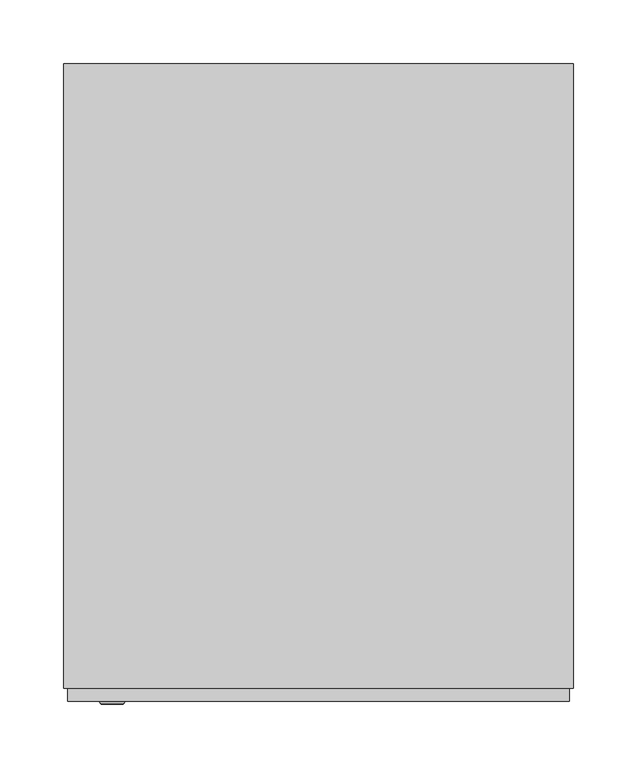
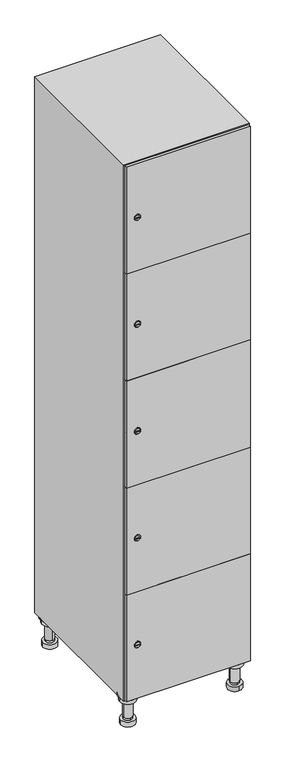
"""IFC4 building model written with IfcOpenShell, lengths in millimetres: furniture geometry."""

from ifc_helpers import new_model, si_unit, point, frame, frame_2d, origin, place, context, project, spatial, polyline, circle_curve, trimmed, segment, composite_curve, outline, extrude, faceted_brep, source, transform, mapped, element, save
from ifc_brep_helpers import plane_surface, cylinder_surface, revolved_surface, advanced_brep


def furniture_3939d0e6(model_context):
    return source(origin(), model_context, "Body", "SolidModel", [
        advanced_brep(
        [(170.0, -201.0, 22.0), (170.0, -201.5, 16.0), (170.0, -228.5, 16.0), (170.0, -229.0, 22.0), (156.0, -215.0, 22.0), (184.0, -215.0, 22.0), (170.0, -192.5, 16.0), (170.0, -237.5, 16.0), (170.0, -192.5, 0.0), (170.0, -237.5, 0.0), (184.0, -215.0, 78.0), (156.0, -215.0, 78.0), (195.0, -215.0, 78.0), (145.0, -215.0, 78.0), (200.0, -215.0, 94.0), (140.0, -215.0, 94.0), (145.0, -215.0, 94.0), (195.0, -215.0, 94.0), (200.0, -215.0, 100.0), (140.0, -215.0, 100.0)],
        [
            (0, 1),
            (1, 2, circle_curve(frame((170.0, -215.0, 16.0), z_axis=(0.0, 0.0, 1.0), x_axis=(0.0, -1.0, 0.0)), 13.5)),
            (2, 3),
            (3, 4, circle_curve(frame((170.0, -215.0, 22.0), z_axis=(0.0, 0.0, -1.0), x_axis=(0.0, -1.0, 0.0)), 14.0)),
            (4, 0, circle_curve(frame((170.0, -215.0, 22.0), z_axis=(0.0, 0.0, -1.0), x_axis=(0.0, -1.0, 0.0)), 14.0)),
            (0, 5, circle_curve(frame((170.0, -215.0, 22.0), z_axis=(0.0, 0.0, -1.0), x_axis=(0.0, 1.0, 0.0)), 14.0)),
            (5, 3, circle_curve(frame((170.0, -215.0, 22.0), z_axis=(0.0, 0.0, -1.0), x_axis=(0.0, 1.0, 0.0)), 14.0)),
            (2, 1, circle_curve(frame((170.0, -215.0, 16.0), z_axis=(0.0, 0.0, 1.0), x_axis=(0.0, 1.0, 0.0)), 13.5)),
            (6, 7, circle_curve(frame((170.0, -215.0, 16.0), z_axis=(0.0, 0.0, 1.0), x_axis=(0.0, -1.0, 0.0)), 22.5)),
            (7, 6, circle_curve(frame((170.0, -215.0, 16.0), z_axis=(0.0, 0.0, 1.0), x_axis=(0.0, -1.0, 0.0)), 22.5)),
            (8, 9, circle_curve(frame((170.0, -215.0, 0.0), z_axis=(0.0, 0.0, -1.0), x_axis=(0.0, -1.0, 0.0)), 22.5)),
            (9, 8, circle_curve(frame((170.0, -215.0, 0.0), z_axis=(0.0, 0.0, -1.0), x_axis=(0.0, -1.0, 0.0)), 22.5)),
            (6, 8),
            (9, 7),
            (5, 10),
            (10, 11, circle_curve(frame((170.0, -215.0, 78.0), z_axis=(0.0, 0.0, -1.0), x_axis=(-1.0, 0.0, 0.0)), 14.0)),
            (11, 4),
            (11, 10, circle_curve(frame((170.0, -215.0, 78.0), z_axis=(0.0, 0.0, -1.0), x_axis=(-1.0, 0.0, 0.0)), 14.0)),
            (12, 13, circle_curve(frame((170.0, -215.0, 78.0), z_axis=(0.0, 0.0, -1.0), x_axis=(-1.0, 0.0, 0.0)), 25.0)),
            (13, 12, circle_curve(frame((170.0, -215.0, 78.0), z_axis=(0.0, 0.0, -1.0), x_axis=(-1.0, 0.0, 0.0)), 25.0)),
            (14, 15, circle_curve(frame((170.0, -215.0, 94.0), z_axis=(0.0, 0.0, -1.0), x_axis=(-1.0, 0.0, 0.0)), 30.0)),
            (15, 14, circle_curve(frame((170.0, -215.0, 94.0), z_axis=(0.0, 0.0, -1.0), x_axis=(-1.0, 0.0, 0.0)), 30.0)),
            (16, 17, circle_curve(frame((170.0, -215.0, 94.0), z_axis=(0.0, 0.0, 1.0), x_axis=(-1.0, 0.0, 0.0)), 25.0)),
            (17, 16, circle_curve(frame((170.0, -215.0, 94.0), z_axis=(0.0, 0.0, 1.0), x_axis=(-1.0, 0.0, 0.0)), 25.0)),
            (18, 19, circle_curve(frame((170.0, -215.0, 100.0), z_axis=(0.0, 0.0, 1.0), x_axis=(-1.0, 0.0, 0.0)), 30.0)),
            (19, 18, circle_curve(frame((170.0, -215.0, 100.0), z_axis=(0.0, 0.0, 1.0), x_axis=(-1.0, 0.0, 0.0)), 30.0)),
            (14, 18),
            (19, 15),
            (12, 17),
            (16, 13),
        ],
        [
            revolved_surface(polyline([(170.0, -201.5, 16.0), (170.0, -201.0, 22.0)]), (170.0, -215.0, -146.0), (0.0, 0.0, 1.0)),
            plane_surface(frame((170.0, 0.0, 16.0), z_axis=(0.0, 0.0, 1.0), x_axis=(0.0, -1.0, 0.0))),
            plane_surface(frame((170.0, 0.0, 0.0), z_axis=(0.0, 0.0, -1.0), x_axis=(0.0, -1.0, 0.0))),
            cylinder_surface(frame((170.0, -215.0, 16.0), z_axis=(0.0, 0.0, 1.0), x_axis=(0.0, -1.0, 0.0)), 22.5),
            cylinder_surface(frame((170.0, -215.0, 22.0), z_axis=(0.0, 0.0, -1.0), x_axis=(-1.0, 0.0, 0.0)), 14.0),
            plane_surface(frame((170.0, 0.0, 78.0), z_axis=(0.0, 0.0, -1.0), x_axis=(0.0, -1.0, 0.0))),
            plane_surface(frame((170.0, 0.0, 94.0), z_axis=(0.0, 0.0, -1.0), x_axis=(0.0, -1.0, 0.0))),
            plane_surface(frame((170.0, 0.0, 100.0), z_axis=(0.0, 0.0, 1.0), x_axis=(0.0, -1.0, 0.0))),
            cylinder_surface(frame((170.0, -215.0, 94.0), z_axis=(0.0, 0.0, -1.0), x_axis=(-1.0, 0.0, 0.0)), 30.0),
            cylinder_surface(frame((170.0, -215.0, 78.0), z_axis=(0.0, 0.0, -1.0), x_axis=(-1.0, 0.0, 0.0)), 25.0),
        ],
        [
            (0, [[1, 2, 3, 4, 5]]),
            (0, [[-1, 6, 7, -3, 8]]),
            (1, [[9, 10], [-2, -8]]),
            (2, [[11, 12]]),
            (3, [[-9, 13, -12, 14]]),
            (3, [[-10, -14, -11, -13]]),
            (4, [[15, 16, 17, -4, -7]]),
            (4, [[-15, -6, -5, -17, 18]]),
            (5, [[19, 20], [-16, -18]]),
            (6, [[21, 22], [23, 24]]),
            (7, [[25, 26]]),
            (8, [[-21, 27, -26, 28]]),
            (8, [[-22, -28, -25, -27]]),
            (9, [[-19, 29, -23, 30]]),
            (9, [[-20, -30, -24, -29]]),
        ],
    ),
        advanced_brep(
        [(-170.0, -201.0, 22.0), (-170.0, -201.5, 16.0), (-170.0, -228.5, 16.0), (-170.0, -229.0, 22.0), (-184.0, -215.0, 22.0), (-156.0, -215.0, 22.0), (-147.5, -215.0, 0.0), (-192.5, -215.0, 0.0), (-147.5, -215.0, 16.0), (-192.5, -215.0, 16.0), (-156.0, -215.0, 78.0), (-184.0, -215.0, 78.0), (-145.0, -215.0, 78.0), (-195.0, -215.0, 78.0), (-140.0, -215.0, 94.0), (-200.0, -215.0, 94.0), (-195.0, -215.0, 94.0), (-145.0, -215.0, 94.0), (-140.0, -215.0, 100.0), (-200.0, -215.0, 100.0)],
        [
            (0, 1),
            (1, 2, circle_curve(frame((-170.0, -215.0, 16.0), z_axis=(0.0, 0.0, 1.0), x_axis=(0.0, -1.0, 0.0)), 13.5)),
            (2, 3),
            (3, 4, circle_curve(frame((-170.0, -215.0, 22.0), z_axis=(0.0, 0.0, -1.0), x_axis=(0.0, -1.0, 0.0)), 14.0)),
            (4, 0, circle_curve(frame((-170.0, -215.0, 22.0), z_axis=(0.0, 0.0, -1.0), x_axis=(0.0, -1.0, 0.0)), 14.0)),
            (0, 5, circle_curve(frame((-170.0, -215.0, 22.0), z_axis=(0.0, 0.0, -1.0), x_axis=(0.0, 1.0, 0.0)), 14.0)),
            (5, 3, circle_curve(frame((-170.0, -215.0, 22.0), z_axis=(0.0, 0.0, -1.0), x_axis=(0.0, 1.0, 0.0)), 14.0)),
            (2, 1, circle_curve(frame((-170.0, -215.0, 16.0), z_axis=(0.0, 0.0, 1.0), x_axis=(0.0, 1.0, 0.0)), 13.5)),
            (6, 7, circle_curve(frame((-170.0, -215.0, 0.0), z_axis=(0.0, 0.0, -1.0), x_axis=(-1.0, 0.0, 0.0)), 22.5)),
            (7, 6, circle_curve(frame((-170.0, -215.0, 0.0), z_axis=(0.0, 0.0, -1.0), x_axis=(-1.0, 0.0, 0.0)), 22.5)),
            (8, 9, circle_curve(frame((-170.0, -215.0, 16.0), z_axis=(0.0, 0.0, 1.0), x_axis=(-1.0, 0.0, 0.0)), 22.5)),
            (9, 8, circle_curve(frame((-170.0, -215.0, 16.0), z_axis=(0.0, 0.0, 1.0), x_axis=(-1.0, 0.0, 0.0)), 22.5)),
            (6, 8),
            (9, 7),
            (5, 10),
            (10, 11, circle_curve(frame((-170.0, -215.0, 78.0), z_axis=(0.0, 0.0, -1.0), x_axis=(-1.0, 0.0, 0.0)), 14.0)),
            (11, 4),
            (11, 10, circle_curve(frame((-170.0, -215.0, 78.0), z_axis=(0.0, 0.0, -1.0), x_axis=(-1.0, 0.0, 0.0)), 14.0)),
            (12, 13, circle_curve(frame((-170.0, -215.0, 78.0), z_axis=(0.0, 0.0, -1.0), x_axis=(-1.0, 0.0, 0.0)), 25.0)),
            (13, 12, circle_curve(frame((-170.0, -215.0, 78.0), z_axis=(0.0, 0.0, -1.0), x_axis=(-1.0, 0.0, 0.0)), 25.0)),
            (14, 15, circle_curve(frame((-170.0, -215.0, 94.0), z_axis=(0.0, 0.0, -1.0), x_axis=(-1.0, 0.0, 0.0)), 30.0)),
            (15, 14, circle_curve(frame((-170.0, -215.0, 94.0), z_axis=(0.0, 0.0, -1.0), x_axis=(-1.0, 0.0, 0.0)), 30.0)),
            (16, 17, circle_curve(frame((-170.0, -215.0, 94.0), z_axis=(0.0, 0.0, 1.0), x_axis=(-1.0, 0.0, 0.0)), 25.0)),
            (17, 16, circle_curve(frame((-170.0, -215.0, 94.0), z_axis=(0.0, 0.0, 1.0), x_axis=(-1.0, 0.0, 0.0)), 25.0)),
            (18, 19, circle_curve(frame((-170.0, -215.0, 100.0), z_axis=(0.0, 0.0, 1.0), x_axis=(-1.0, 0.0, 0.0)), 30.0)),
            (19, 18, circle_curve(frame((-170.0, -215.0, 100.0), z_axis=(0.0, 0.0, 1.0), x_axis=(-1.0, 0.0, 0.0)), 30.0)),
            (14, 18),
            (19, 15),
            (12, 17),
            (16, 13),
        ],
        [
            revolved_surface(polyline([(-170.0, -201.5, 16.0), (-170.0, -201.0, 22.0)]), (-170.0, -215.0, -146.0), (0.0, 0.0, 1.0)),
            plane_surface(frame((-170.0, 0.0, 0.0), z_axis=(0.0, 0.0, -1.0), x_axis=(0.0, -1.0, 0.0))),
            plane_surface(frame((-170.0, 0.0, 16.0), z_axis=(0.0, 0.0, 1.0), x_axis=(0.0, -1.0, 0.0))),
            cylinder_surface(frame((-170.0, -215.0, 0.0), z_axis=(0.0, 0.0, -1.0), x_axis=(-1.0, 0.0, 0.0)), 22.5),
            cylinder_surface(frame((-170.0, -215.0, 22.0), z_axis=(0.0, 0.0, -1.0), x_axis=(-1.0, 0.0, 0.0)), 14.0),
            plane_surface(frame((-170.0, 0.0, 78.0), z_axis=(0.0, 0.0, -1.0), x_axis=(0.0, -1.0, 0.0))),
            plane_surface(frame((-170.0, 0.0, 94.0), z_axis=(0.0, 0.0, -1.0), x_axis=(0.0, -1.0, 0.0))),
            plane_surface(frame((-170.0, 0.0, 100.0), z_axis=(0.0, 0.0, 1.0), x_axis=(0.0, -1.0, 0.0))),
            cylinder_surface(frame((-170.0, -215.0, 94.0), z_axis=(0.0, 0.0, -1.0), x_axis=(-1.0, 0.0, 0.0)), 30.0),
            cylinder_surface(frame((-170.0, -215.0, 78.0), z_axis=(0.0, 0.0, -1.0), x_axis=(-1.0, 0.0, 0.0)), 25.0),
        ],
        [
            (0, [[1, 2, 3, 4, 5]]),
            (0, [[-1, 6, 7, -3, 8]]),
            (1, [[9, 10]]),
            (2, [[11, 12], [-2, -8]]),
            (3, [[-9, 13, -12, 14]]),
            (3, [[-10, -14, -11, -13]]),
            (4, [[15, 16, 17, -4, -7]]),
            (4, [[-15, -6, -5, -17, 18]]),
            (5, [[19, 20], [-16, -18]]),
            (6, [[21, 22], [23, 24]]),
            (7, [[25, 26]]),
            (8, [[-21, 27, -26, 28]]),
            (8, [[-22, -28, -25, -27]]),
            (9, [[-19, 29, -23, 30]]),
            (9, [[-20, -30, -24, -29]]),
        ],
    ),
        advanced_brep(
        [(183.5, 215.0, 16.0), (184.0, 215.0, 22.0), (156.0, 215.0, 22.0), (156.5, 215.0, 16.0), (192.5, 215.0, 0.0), (147.5, 215.0, 0.0), (192.5, 215.0, 16.0), (147.5, 215.0, 16.0), (184.0, 215.0, 78.0), (156.0, 215.0, 78.0), (195.0, 215.0, 78.0), (145.0, 215.0, 78.0), (200.0, 215.0, 94.0), (140.0, 215.0, 94.0), (145.0, 215.0, 94.0), (195.0, 215.0, 94.0), (200.0, 215.0, 100.0), (140.0, 215.0, 100.0)],
        [
            (0, 1),
            (1, 2, circle_curve(frame((170.0, 215.0, 22.0), z_axis=(0.0, 0.0, -1.0), x_axis=(-1.0, 0.0, 0.0)), 14.0)),
            (2, 3),
            (3, 0, circle_curve(frame((170.0, 215.0, 16.0), z_axis=(0.0, 0.0, 1.0), x_axis=(-1.0, 0.0, 0.0)), 13.5)),
            (0, 3, circle_curve(frame((170.0, 215.0, 16.0), z_axis=(0.0, 0.0, 1.0), x_axis=(1.0, 0.0, 0.0)), 13.5)),
            (2, 1, circle_curve(frame((170.0, 215.0, 22.0), z_axis=(0.0, 0.0, -1.0), x_axis=(1.0, 0.0, 0.0)), 14.0)),
            (4, 5, circle_curve(frame((170.0, 215.0, 0.0), z_axis=(0.0, 0.0, -1.0), x_axis=(-1.0, 0.0, 0.0)), 22.5)),
            (5, 4, circle_curve(frame((170.0, 215.0, 0.0), z_axis=(0.0, 0.0, -1.0), x_axis=(-1.0, 0.0, 0.0)), 22.5)),
            (6, 7, circle_curve(frame((170.0, 215.0, 16.0), z_axis=(0.0, 0.0, 1.0), x_axis=(-1.0, 0.0, 0.0)), 22.5)),
            (7, 6, circle_curve(frame((170.0, 215.0, 16.0), z_axis=(0.0, 0.0, 1.0), x_axis=(-1.0, 0.0, 0.0)), 22.5)),
            (4, 6),
            (7, 5),
            (1, 8),
            (8, 9, circle_curve(frame((170.0, 215.0, 78.0), z_axis=(0.0, 0.0, -1.0), x_axis=(-1.0, 0.0, 0.0)), 14.0)),
            (9, 2),
            (9, 8, circle_curve(frame((170.0, 215.0, 78.0), z_axis=(0.0, 0.0, -1.0), x_axis=(-1.0, 0.0, 0.0)), 14.0)),
            (10, 11, circle_curve(frame((170.0, 215.0, 78.0), z_axis=(0.0, 0.0, -1.0), x_axis=(-1.0, 0.0, 0.0)), 25.0)),
            (11, 10, circle_curve(frame((170.0, 215.0, 78.0), z_axis=(0.0, 0.0, -1.0), x_axis=(-1.0, 0.0, 0.0)), 25.0)),
            (12, 13, circle_curve(frame((170.0, 215.0, 94.0), z_axis=(0.0, 0.0, -1.0), x_axis=(-1.0, 0.0, 0.0)), 30.0)),
            (13, 12, circle_curve(frame((170.0, 215.0, 94.0), z_axis=(0.0, 0.0, -1.0), x_axis=(-1.0, 0.0, 0.0)), 30.0)),
            (14, 15, circle_curve(frame((170.0, 215.0, 94.0), z_axis=(0.0, 0.0, 1.0), x_axis=(-1.0, 0.0, 0.0)), 25.0)),
            (15, 14, circle_curve(frame((170.0, 215.0, 94.0), z_axis=(0.0, 0.0, 1.0), x_axis=(-1.0, 0.0, 0.0)), 25.0)),
            (16, 17, circle_curve(frame((170.0, 215.0, 100.0), z_axis=(0.0, 0.0, 1.0), x_axis=(-1.0, 0.0, 0.0)), 30.0)),
            (17, 16, circle_curve(frame((170.0, 215.0, 100.0), z_axis=(0.0, 0.0, 1.0), x_axis=(-1.0, 0.0, 0.0)), 30.0)),
            (12, 16),
            (17, 13),
            (10, 15),
            (14, 11),
        ],
        [
            revolved_surface(polyline([(183.5, 215.0, 16.0), (184.0, 215.0, 22.0)]), (170.0, 215.0, -146.0), (0.0, 0.0, 1.0)),
            plane_surface(frame((170.0, 0.0, 0.0), z_axis=(0.0, 0.0, -1.0), x_axis=(0.0, -1.0, 0.0))),
            plane_surface(frame((170.0, 0.0, 16.0), z_axis=(0.0, 0.0, 1.0), x_axis=(0.0, -1.0, 0.0))),
            cylinder_surface(frame((170.0, 215.0, 0.0), z_axis=(0.0, 0.0, -1.0), x_axis=(-1.0, 0.0, 0.0)), 22.5),
            cylinder_surface(frame((170.0, 215.0, 22.0), z_axis=(0.0, 0.0, -1.0), x_axis=(-1.0, 0.0, 0.0)), 14.0),
            plane_surface(frame((170.0, 0.0, 78.0), z_axis=(0.0, 0.0, -1.0), x_axis=(0.0, -1.0, 0.0))),
            plane_surface(frame((170.0, 0.0, 94.0), z_axis=(0.0, 0.0, -1.0), x_axis=(0.0, -1.0, 0.0))),
            plane_surface(frame((170.0, 0.0, 100.0), z_axis=(0.0, 0.0, 1.0), x_axis=(0.0, -1.0, 0.0))),
            cylinder_surface(frame((170.0, 215.0, 94.0), z_axis=(0.0, 0.0, -1.0), x_axis=(-1.0, 0.0, 0.0)), 30.0),
            cylinder_surface(frame((170.0, 215.0, 78.0), z_axis=(0.0, 0.0, -1.0), x_axis=(-1.0, 0.0, 0.0)), 25.0),
        ],
        [
            (0, [[1, 2, 3, 4]]),
            (0, [[-1, 5, -3, 6]]),
            (1, [[7, 8]]),
            (2, [[9, 10], [-4, -5]]),
            (3, [[-7, 11, -10, 12]]),
            (3, [[-8, -12, -9, -11]]),
            (4, [[13, 14, 15, -2]]),
            (4, [[-13, -6, -15, 16]]),
            (5, [[17, 18], [-14, -16]]),
            (6, [[19, 20], [21, 22]]),
            (7, [[23, 24]]),
            (8, [[-19, 25, -24, 26]]),
            (8, [[-20, -26, -23, -25]]),
            (9, [[-17, 27, -21, 28]]),
            (9, [[-18, -28, -22, -27]]),
        ],
    ),
        advanced_brep(
        [(-156.5, 215.0, 16.0), (-156.0, 215.0, 22.0), (-170.0, 201.0, 22.0), (-184.0, 215.0, 22.0), (-183.5, 215.0, 16.0), (-170.0, 229.0, 22.0), (-147.5, 215.0, 0.0), (-192.5, 215.0, 0.0), (-147.5, 215.0, 16.0), (-192.5, 215.0, 16.0), (-170.0, 229.0, 78.0), (-170.0, 201.0, 78.0), (-145.0, 215.0, 78.0), (-195.0, 215.0, 78.0), (-140.0, 215.0, 94.0), (-200.0, 215.0, 94.0), (-195.0, 215.0, 94.0), (-145.0, 215.0, 94.0), (-140.0, 215.0, 100.0), (-200.0, 215.0, 100.0)],
        [
            (0, 1),
            (1, 2, circle_curve(frame((-170.0, 215.0, 22.0), z_axis=(0.0, 0.0, -1.0), x_axis=(-1.0, 0.0, 0.0)), 14.0)),
            (2, 3, circle_curve(frame((-170.0, 215.0, 22.0), z_axis=(0.0, 0.0, -1.0), x_axis=(-1.0, 0.0, 0.0)), 14.0)),
            (3, 4),
            (4, 0, circle_curve(frame((-170.0, 215.0, 16.0), z_axis=(0.0, 0.0, 1.0), x_axis=(-1.0, 0.0, 0.0)), 13.5)),
            (0, 4, circle_curve(frame((-170.0, 215.0, 16.0), z_axis=(0.0, 0.0, 1.0), x_axis=(1.0, 0.0, 0.0)), 13.5)),
            (3, 5, circle_curve(frame((-170.0, 215.0, 22.0), z_axis=(0.0, 0.0, -1.0), x_axis=(1.0, 0.0, 0.0)), 14.0)),
            (5, 1, circle_curve(frame((-170.0, 215.0, 22.0), z_axis=(0.0, 0.0, -1.0), x_axis=(1.0, 0.0, 0.0)), 14.0)),
            (6, 7, circle_curve(frame((-170.0, 215.0, 0.0), z_axis=(0.0, 0.0, -1.0), x_axis=(-1.0, 0.0, 0.0)), 22.5)),
            (7, 6, circle_curve(frame((-170.0, 215.0, 0.0), z_axis=(0.0, 0.0, -1.0), x_axis=(-1.0, 0.0, 0.0)), 22.5)),
            (8, 9, circle_curve(frame((-170.0, 215.0, 16.0), z_axis=(0.0, 0.0, 1.0), x_axis=(-1.0, 0.0, 0.0)), 22.5)),
            (9, 8, circle_curve(frame((-170.0, 215.0, 16.0), z_axis=(0.0, 0.0, 1.0), x_axis=(-1.0, 0.0, 0.0)), 22.5)),
            (6, 8),
            (9, 7),
            (10, 5),
            (2, 11),
            (11, 10, circle_curve(frame((-170.0, 215.0, 78.0), z_axis=(0.0, 0.0, -1.0), x_axis=(0.0, -1.0, 0.0)), 14.0)),
            (10, 11, circle_curve(frame((-170.0, 215.0, 78.0), z_axis=(0.0, 0.0, -1.0), x_axis=(0.0, -1.0, 0.0)), 14.0)),
            (12, 13, circle_curve(frame((-170.0, 215.0, 78.0), z_axis=(0.0, 0.0, -1.0), x_axis=(-1.0, 0.0, 0.0)), 25.0)),
            (13, 12, circle_curve(frame((-170.0, 215.0, 78.0), z_axis=(0.0, 0.0, -1.0), x_axis=(-1.0, 0.0, 0.0)), 25.0)),
            (14, 15, circle_curve(frame((-170.0, 215.0, 94.0), z_axis=(0.0, 0.0, -1.0), x_axis=(-1.0, 0.0, 0.0)), 30.0)),
            (15, 14, circle_curve(frame((-170.0, 215.0, 94.0), z_axis=(0.0, 0.0, -1.0), x_axis=(-1.0, 0.0, 0.0)), 30.0)),
            (16, 17, circle_curve(frame((-170.0, 215.0, 94.0), z_axis=(0.0, 0.0, 1.0), x_axis=(-1.0, 0.0, 0.0)), 25.0)),
            (17, 16, circle_curve(frame((-170.0, 215.0, 94.0), z_axis=(0.0, 0.0, 1.0), x_axis=(-1.0, 0.0, 0.0)), 25.0)),
            (18, 19, circle_curve(frame((-170.0, 215.0, 100.0), z_axis=(0.0, 0.0, 1.0), x_axis=(-1.0, 0.0, 0.0)), 30.0)),
            (19, 18, circle_curve(frame((-170.0, 215.0, 100.0), z_axis=(0.0, 0.0, 1.0), x_axis=(-1.0, 0.0, 0.0)), 30.0)),
            (14, 18),
            (19, 15),
            (12, 17),
            (16, 13),
        ],
        [
            revolved_surface(polyline([(-156.5, 215.0, 16.0), (-156.0, 215.0, 22.0)]), (-170.0, 215.0, -146.0), (0.0, 0.0, 1.0)),
            plane_surface(frame((-170.0, 0.0, 0.0), z_axis=(0.0, 0.0, -1.0), x_axis=(0.0, -1.0, 0.0))),
            plane_surface(frame((-170.0, 0.0, 16.0), z_axis=(0.0, 0.0, 1.0), x_axis=(0.0, -1.0, 0.0))),
            cylinder_surface(frame((-170.0, 215.0, 0.0), z_axis=(0.0, 0.0, -1.0), x_axis=(-1.0, 0.0, 0.0)), 22.5),
            cylinder_surface(frame((-170.0, 215.0, 78.0), z_axis=(0.0, 0.0, 1.0), x_axis=(0.0, -1.0, 0.0)), 14.0),
            plane_surface(frame((-170.0, 0.0, 78.0), z_axis=(0.0, 0.0, -1.0), x_axis=(0.0, -1.0, 0.0))),
            plane_surface(frame((-170.0, 0.0, 94.0), z_axis=(0.0, 0.0, -1.0), x_axis=(0.0, -1.0, 0.0))),
            plane_surface(frame((-170.0, 0.0, 100.0), z_axis=(0.0, 0.0, 1.0), x_axis=(0.0, -1.0, 0.0))),
            cylinder_surface(frame((-170.0, 215.0, 94.0), z_axis=(0.0, 0.0, -1.0), x_axis=(-1.0, 0.0, 0.0)), 30.0),
            cylinder_surface(frame((-170.0, 215.0, 78.0), z_axis=(0.0, 0.0, -1.0), x_axis=(-1.0, 0.0, 0.0)), 25.0),
        ],
        [
            (0, [[1, 2, 3, 4, 5]]),
            (0, [[-1, 6, -4, 7, 8]]),
            (1, [[9, 10]]),
            (2, [[11, 12], [-5, -6]]),
            (3, [[-9, 13, -12, 14]]),
            (3, [[-10, -14, -11, -13]]),
            (4, [[15, -7, -3, 16, 17]]),
            (4, [[-15, 18, -16, -2, -8]]),
            (5, [[19, 20], [-17, -18]]),
            (6, [[21, 22], [23, 24]]),
            (7, [[25, 26]]),
            (8, [[-21, 27, -26, 28]]),
            (8, [[-22, -28, -25, -27]]),
            (9, [[-19, 29, -23, 30]]),
            (9, [[-20, -30, -24, -29]]),
        ],
    ),
        extrude(outline(composite_curve([segment(trimmed(circle_curve(frame_2d((282.4, -188.7989466)), 7.0), [point((289.4, -188.7989466))], [point((275.4, -188.7989466))], False, "CARTESIAN"), True, "CONTINUOUS"), segment(polyline([(275.4, -188.7989466), (275.4, -160.7989466)]), True, "CONTINUOUS"), segment(trimmed(circle_curve(frame_2d((282.4, -160.7989466)), 7.0), [point((275.4, -160.7989466))], [point((289.4, -160.7989466))], False, "CARTESIAN"), True, "CONTINUOUS"), segment(polyline([(289.4, -160.7989466), (289.4, -188.7989466)]), True, "CONTINUOUS")], self_intersect=False)), frame((0.0, -245.0, 0.0), z_axis=(0.0, 1.0, 0.0), x_axis=(0.0, 0.0, 1.0)), (0.0, 0.0, 1.0), 2.0),
        advanced_brep(
        [(-153.5, -257.2, 282.4), (-170.5, -257.2, 282.4), (-167.0, -257.2, 281.15), (-167.0, -257.2, 283.65), (-157.0, -257.2, 283.65), (-157.0, -257.2, 281.15), (-151.5, -255.0, 282.4), (-172.5, -255.0, 282.4), (-167.0, -255.0, 283.65), (-167.0, -255.0, 281.15), (-157.0, -255.0, 281.15), (-157.0, -255.0, 283.65)],
        [
            (0, 1, circle_curve(frame((-162.0, -257.2, 282.4), z_axis=(0.0, -1.0, 0.0), x_axis=(1.0, 0.0, 0.0)), 8.5)),
            (1, 0, circle_curve(frame((-162.0, -257.2, 282.4), z_axis=(0.0, -1.0, 0.0), x_axis=(-1.0, 0.0, 0.0)), 8.5)),
            (2, 3),
            (3, 4),
            (4, 5),
            (5, 2),
            (6, 7, circle_curve(frame((-162.0, -255.0, 282.4), z_axis=(0.0, 1.0, 0.0), x_axis=(-1.0, 0.0, 0.0)), 10.5)),
            (7, 6, circle_curve(frame((-162.0, -255.0, 282.4), z_axis=(0.0, 1.0, 0.0), x_axis=(1.0, 0.0, 0.0)), 10.5)),
            (8, 9),
            (9, 10),
            (10, 11),
            (11, 8),
            (0, 6),
            (7, 1),
            (8, 3),
            (2, 9),
            (11, 4),
            (10, 5),
        ],
        [
            plane_surface(frame((-162.0, -257.2, 282.4), z_axis=(0.0, -1.0, 0.0), x_axis=(0.0, 0.0, 1.0))),
            plane_surface(frame((-162.0, -255.0, 282.4), z_axis=(0.0, 1.0, 0.0), x_axis=(0.0, 0.0, 1.0))),
            revolved_surface(polyline([(-153.5, -257.2, 282.4), (-151.5, -255.0, 282.4)]), (-162.0, -266.55, 282.4), (0.0, 1.0, 0.0)),
            revolved_surface(polyline([(-170.5, -257.2, 282.4), (-172.5, -255.0, 282.4)]), (-162.0, -266.55, 282.4), (0.0, 1.0, 0.0)),
            plane_surface(frame((-167.0, -255.0, 281.15), z_axis=(1.0, 0.0, 0.0), x_axis=(0.0, -1.0, 0.0))),
            plane_surface(frame((-167.0, -255.0, 283.65), z_axis=(0.0, 0.0, -1.0), x_axis=(0.0, -1.0, 0.0))),
            plane_surface(frame((-157.0, -255.0, 283.65), z_axis=(-1.0, 0.0, 0.0), x_axis=(0.0, -1.0, 0.0))),
            plane_surface(frame((-157.0, -255.0, 281.15), z_axis=(0.0, 0.0, 1.0), x_axis=(0.0, -1.0, 0.0))),
        ],
        [
            (0, [[1, 2], [3, 4, 5, 6]]),
            (1, [[7, 8], [9, 10, 11, 12]]),
            (2, [[-1, 13, -8, 14]]),
            (3, [[-2, -14, -7, -13]]),
            (4, [[15, -3, 16, -9]]),
            (5, [[-15, -12, 17, -4]]),
            (6, [[-17, -11, 18, -5]]),
            (7, [[-16, -6, -18, -10]]),
        ],
    ),
        extrude(outline(composite_curve([segment(trimmed(circle_curve(frame_2d((641.2, -188.7989466)), 7.0), [point((648.2, -188.7989466))], [point((634.2, -188.7989466))], False, "CARTESIAN"), True, "CONTINUOUS"), segment(polyline([(634.2, -188.7989466), (634.2, -160.7989466)]), True, "CONTINUOUS"), segment(trimmed(circle_curve(frame_2d((641.2, -160.7989466)), 7.0), [point((634.2, -160.7989466))], [point((648.2, -160.7989466))], False, "CARTESIAN"), True, "CONTINUOUS"), segment(polyline([(648.2, -160.7989466), (648.2, -188.7989466)]), True, "CONTINUOUS")], self_intersect=False)), frame((0.0, -245.0, 0.0), z_axis=(0.0, 1.0, 0.0), x_axis=(0.0, 0.0, 1.0)), (0.0, 0.0, 1.0), 2.0),
        advanced_brep(
        [(-153.5, -257.2, 641.2), (-170.5, -257.2, 641.2), (-167.0, -257.2, 639.95), (-167.0, -257.2, 642.45), (-157.0, -257.2, 642.45), (-157.0, -257.2, 639.95), (-151.5, -255.0, 641.2), (-172.5, -255.0, 641.2), (-167.0, -255.0, 642.45), (-167.0, -255.0, 639.95), (-157.0, -255.0, 639.95), (-157.0, -255.0, 642.45)],
        [
            (0, 1, circle_curve(frame((-162.0, -257.2, 641.2), z_axis=(0.0, -1.0, 0.0), x_axis=(1.0, 0.0, 0.0)), 8.5)),
            (1, 0, circle_curve(frame((-162.0, -257.2, 641.2), z_axis=(0.0, -1.0, 0.0), x_axis=(-1.0, 0.0, 0.0)), 8.5)),
            (2, 3),
            (3, 4),
            (4, 5),
            (5, 2),
            (6, 7, circle_curve(frame((-162.0, -255.0, 641.2), z_axis=(0.0, 1.0, 0.0), x_axis=(-1.0, 0.0, 0.0)), 10.5)),
            (7, 6, circle_curve(frame((-162.0, -255.0, 641.2), z_axis=(0.0, 1.0, 0.0), x_axis=(1.0, 0.0, 0.0)), 10.5)),
            (8, 9),
            (9, 10),
            (10, 11),
            (11, 8),
            (0, 6),
            (7, 1),
            (8, 3),
            (2, 9),
            (11, 4),
            (10, 5),
        ],
        [
            plane_surface(frame((-162.0, -257.2, 641.2), z_axis=(0.0, -1.0, 0.0), x_axis=(0.0, 0.0, 1.0))),
            plane_surface(frame((-162.0, -255.0, 641.2), z_axis=(0.0, 1.0, 0.0), x_axis=(0.0, 0.0, 1.0))),
            revolved_surface(polyline([(-153.5, -257.2, 641.2), (-151.5, -255.0, 641.2)]), (-162.0, -266.55, 641.2), (0.0, 1.0, 0.0)),
            revolved_surface(polyline([(-170.5, -257.2, 641.2), (-172.5, -255.0, 641.2)]), (-162.0, -266.55, 641.2), (0.0, 1.0, 0.0)),
            plane_surface(frame((-167.0, -255.0, 639.95), z_axis=(1.0, 0.0, 0.0), x_axis=(0.0, -1.0, 0.0))),
            plane_surface(frame((-167.0, -255.0, 642.45), z_axis=(0.0, 0.0, -1.0), x_axis=(0.0, -1.0, 0.0))),
            plane_surface(frame((-157.0, -255.0, 642.45), z_axis=(-1.0, 0.0, 0.0), x_axis=(0.0, -1.0, 0.0))),
            plane_surface(frame((-157.0, -255.0, 639.95), z_axis=(0.0, 0.0, 1.0), x_axis=(0.0, -1.0, 0.0))),
        ],
        [
            (0, [[1, 2], [3, 4, 5, 6]]),
            (1, [[7, 8], [9, 10, 11, 12]]),
            (2, [[-1, 13, -8, 14]]),
            (3, [[-2, -14, -7, -13]]),
            (4, [[15, -3, 16, -9]]),
            (5, [[-15, -12, 17, -4]]),
            (6, [[-17, -11, 18, -5]]),
            (7, [[-16, -6, -18, -10]]),
        ],
    ),
        extrude(outline(composite_curve([segment(trimmed(circle_curve(frame_2d((1000.0, -188.7989466)), 7.0), [point((1007.0, -188.7989466))], [point((993.0, -188.7989466))], False, "CARTESIAN"), True, "CONTINUOUS"), segment(polyline([(993.0, -188.7989466), (993.0, -160.7989466)]), True, "CONTINUOUS"), segment(trimmed(circle_curve(frame_2d((1000.0, -160.7989466)), 7.0), [point((993.0, -160.7989466))], [point((1007.0, -160.7989466))], False, "CARTESIAN"), True, "CONTINUOUS"), segment(polyline([(1007.0, -160.7989466), (1007.0, -188.7989466)]), True, "CONTINUOUS")], self_intersect=False)), frame((0.0, -245.0, 0.0), z_axis=(0.0, 1.0, 0.0), x_axis=(0.0, 0.0, 1.0)), (0.0, 0.0, 1.0), 2.0),
        advanced_brep(
        [(-153.5, -257.2, 1000.0), (-170.5, -257.2, 1000.0), (-167.0, -257.2, 998.75), (-167.0, -257.2, 1001.25), (-157.0, -257.2, 1001.25), (-157.0, -257.2, 998.75), (-151.5, -255.0, 1000.0), (-172.5, -255.0, 1000.0), (-167.0, -255.0, 1001.25), (-167.0, -255.0, 998.75), (-157.0, -255.0, 998.75), (-157.0, -255.0, 1001.25)],
        [
            (0, 1, circle_curve(frame((-162.0, -257.2, 1000.0), z_axis=(0.0, -1.0, 0.0), x_axis=(1.0, 0.0, 0.0)), 8.5)),
            (1, 0, circle_curve(frame((-162.0, -257.2, 1000.0), z_axis=(0.0, -1.0, 0.0), x_axis=(-1.0, 0.0, 0.0)), 8.5)),
            (2, 3),
            (3, 4),
            (4, 5),
            (5, 2),
            (6, 7, circle_curve(frame((-162.0, -255.0, 1000.0), z_axis=(0.0, 1.0, 0.0), x_axis=(-1.0, 0.0, 0.0)), 10.5)),
            (7, 6, circle_curve(frame((-162.0, -255.0, 1000.0), z_axis=(0.0, 1.0, 0.0), x_axis=(1.0, 0.0, 0.0)), 10.5)),
            (8, 9),
            (9, 10),
            (10, 11),
            (11, 8),
            (0, 6),
            (7, 1),
            (8, 3),
            (2, 9),
            (11, 4),
            (10, 5),
        ],
        [
            plane_surface(frame((-162.0, -257.2, 1000.0), z_axis=(0.0, -1.0, 0.0), x_axis=(0.0, 0.0, 1.0))),
            plane_surface(frame((-162.0, -255.0, 1000.0), z_axis=(0.0, 1.0, 0.0), x_axis=(0.0, 0.0, 1.0))),
            revolved_surface(polyline([(-153.5, -257.2, 1000.0), (-151.5, -255.0, 1000.0)]), (-162.0, -266.55, 1000.0), (0.0, 1.0, 0.0)),
            revolved_surface(polyline([(-170.5, -257.2, 1000.0), (-172.5, -255.0, 1000.0)]), (-162.0, -266.55, 1000.0), (0.0, 1.0, 0.0)),
            plane_surface(frame((-167.0, -255.0, 998.75), z_axis=(1.0, 0.0, 0.0), x_axis=(0.0, -1.0, 0.0))),
            plane_surface(frame((-167.0, -255.0, 1001.25), z_axis=(0.0, 0.0, -1.0), x_axis=(0.0, -1.0, 0.0))),
            plane_surface(frame((-157.0, -255.0, 1001.25), z_axis=(-1.0, 0.0, 0.0), x_axis=(0.0, -1.0, 0.0))),
            plane_surface(frame((-157.0, -255.0, 998.75), z_axis=(0.0, 0.0, 1.0), x_axis=(0.0, -1.0, 0.0))),
        ],
        [
            (0, [[1, 2], [3, 4, 5, 6]]),
            (1, [[7, 8], [9, 10, 11, 12]]),
            (2, [[-1, 13, -8, 14]]),
            (3, [[-2, -14, -7, -13]]),
            (4, [[15, -3, 16, -9]]),
            (5, [[-15, -12, 17, -4]]),
            (6, [[-17, -11, 18, -5]]),
            (7, [[-16, -6, -18, -10]]),
        ],
    ),
        extrude(outline(composite_curve([segment(trimmed(circle_curve(frame_2d((1358.8, -188.7989466)), 7.0), [point((1365.8, -188.7989466))], [point((1351.8, -188.7989466))], False, "CARTESIAN"), True, "CONTINUOUS"), segment(polyline([(1351.8, -188.7989466), (1351.8, -160.7989466)]), True, "CONTINUOUS"), segment(trimmed(circle_curve(frame_2d((1358.8, -160.7989466)), 7.0), [point((1351.8, -160.7989466))], [point((1365.8, -160.7989466))], False, "CARTESIAN"), True, "CONTINUOUS"), segment(polyline([(1365.8, -160.7989466), (1365.8, -188.7989466)]), True, "CONTINUOUS")], self_intersect=False)), frame((0.0, -245.0, 0.0), z_axis=(0.0, 1.0, 0.0), x_axis=(0.0, 0.0, 1.0)), (0.0, 0.0, 1.0), 2.0),
        advanced_brep(
        [(-153.5, -257.2, 1358.8), (-170.5, -257.2, 1358.8), (-167.0, -257.2, 1357.55), (-167.0, -257.2, 1360.05), (-157.0, -257.2, 1360.05), (-157.0, -257.2, 1357.55), (-151.5, -255.0, 1358.8), (-172.5, -255.0, 1358.8), (-167.0, -255.0, 1360.05), (-167.0, -255.0, 1357.55), (-157.0, -255.0, 1357.55), (-157.0, -255.0, 1360.05)],
        [
            (0, 1, circle_curve(frame((-162.0, -257.2, 1358.8), z_axis=(0.0, -1.0, 0.0), x_axis=(1.0, 0.0, 0.0)), 8.5)),
            (1, 0, circle_curve(frame((-162.0, -257.2, 1358.8), z_axis=(0.0, -1.0, 0.0), x_axis=(-1.0, 0.0, 0.0)), 8.5)),
            (2, 3),
            (3, 4),
            (4, 5),
            (5, 2),
            (6, 7, circle_curve(frame((-162.0, -255.0, 1358.8), z_axis=(0.0, 1.0, 0.0), x_axis=(-1.0, 0.0, 0.0)), 10.5)),
            (7, 6, circle_curve(frame((-162.0, -255.0, 1358.8), z_axis=(0.0, 1.0, 0.0), x_axis=(1.0, 0.0, 0.0)), 10.5)),
            (8, 9),
            (9, 10),
            (10, 11),
            (11, 8),
            (0, 6),
            (7, 1),
            (8, 3),
            (2, 9),
            (11, 4),
            (10, 5),
        ],
        [
            plane_surface(frame((-162.0, -257.2, 1358.8), z_axis=(0.0, -1.0, 0.0), x_axis=(0.0, 0.0, 1.0))),
            plane_surface(frame((-162.0, -255.0, 1358.8), z_axis=(0.0, 1.0, 0.0), x_axis=(0.0, 0.0, 1.0))),
            revolved_surface(polyline([(-153.5, -257.2, 1358.8), (-151.5, -255.0, 1358.8)]), (-162.0, -266.55, 1358.8), (0.0, 1.0, 0.0)),
            revolved_surface(polyline([(-170.5, -257.2, 1358.8), (-172.5, -255.0, 1358.8)]), (-162.0, -266.55, 1358.8), (0.0, 1.0, 0.0)),
            plane_surface(frame((-167.0, -255.0, 1357.55), z_axis=(1.0, 0.0, 0.0), x_axis=(0.0, -1.0, 0.0))),
            plane_surface(frame((-167.0, -255.0, 1360.05), z_axis=(0.0, 0.0, -1.0), x_axis=(0.0, -1.0, 0.0))),
            plane_surface(frame((-157.0, -255.0, 1360.05), z_axis=(-1.0, 0.0, 0.0), x_axis=(0.0, -1.0, 0.0))),
            plane_surface(frame((-157.0, -255.0, 1357.55), z_axis=(0.0, 0.0, 1.0), x_axis=(0.0, -1.0, 0.0))),
        ],
        [
            (0, [[1, 2], [3, 4, 5, 6]]),
            (1, [[7, 8], [9, 10, 11, 12]]),
            (2, [[-1, 13, -8, 14]]),
            (3, [[-2, -14, -7, -13]]),
            (4, [[15, -3, 16, -9]]),
            (5, [[-15, -12, 17, -4]]),
            (6, [[-17, -11, 18, -5]]),
            (7, [[-16, -6, -18, -10]]),
        ],
    ),
        extrude(outline(composite_curve([segment(trimmed(circle_curve(frame_2d((1717.6, -188.7989466)), 7.0), [point((1724.6, -188.7989466))], [point((1710.6, -188.7989466))], False, "CARTESIAN"), True, "CONTINUOUS"), segment(polyline([(1710.6, -188.7989466), (1710.6, -160.7989466)]), True, "CONTINUOUS"), segment(trimmed(circle_curve(frame_2d((1717.6, -160.7989466)), 7.0), [point((1710.6, -160.7989466))], [point((1724.6, -160.7989466))], False, "CARTESIAN"), True, "CONTINUOUS"), segment(polyline([(1724.6, -160.7989466), (1724.6, -188.7989466)]), True, "CONTINUOUS")], self_intersect=False)), frame((0.0, -245.0, 0.0), z_axis=(0.0, 1.0, 0.0), x_axis=(0.0, 0.0, 1.0)), (0.0, 0.0, 1.0), 2.0),
        advanced_brep(
        [(-153.5, -257.2, 1717.6), (-170.5, -257.2, 1717.6), (-167.0, -257.2, 1716.35), (-167.0, -257.2, 1718.85), (-157.0, -257.2, 1718.85), (-157.0, -257.2, 1716.35), (-151.5, -255.0, 1717.6), (-172.5, -255.0, 1717.6), (-167.0, -255.0, 1718.85), (-167.0, -255.0, 1716.35), (-157.0, -255.0, 1716.35), (-157.0, -255.0, 1718.85)],
        [
            (0, 1, circle_curve(frame((-162.0, -257.2, 1717.6), z_axis=(0.0, -1.0, 0.0), x_axis=(1.0, 0.0, 0.0)), 8.5)),
            (1, 0, circle_curve(frame((-162.0, -257.2, 1717.6), z_axis=(0.0, -1.0, 0.0), x_axis=(-1.0, 0.0, 0.0)), 8.5)),
            (2, 3),
            (3, 4),
            (4, 5),
            (5, 2),
            (6, 7, circle_curve(frame((-162.0, -255.0, 1717.6), z_axis=(0.0, 1.0, 0.0), x_axis=(-1.0, 0.0, 0.0)), 10.5)),
            (7, 6, circle_curve(frame((-162.0, -255.0, 1717.6), z_axis=(0.0, 1.0, 0.0), x_axis=(1.0, 0.0, 0.0)), 10.5)),
            (8, 9),
            (9, 10),
            (10, 11),
            (11, 8),
            (0, 6),
            (7, 1),
            (8, 3),
            (2, 9),
            (11, 4),
            (10, 5),
        ],
        [
            plane_surface(frame((-162.0, -257.2, 1717.6), z_axis=(0.0, -1.0, 0.0), x_axis=(0.0, 0.0, 1.0))),
            plane_surface(frame((-162.0, -255.0, 1717.6), z_axis=(0.0, 1.0, 0.0), x_axis=(0.0, 0.0, 1.0))),
            revolved_surface(polyline([(-153.5, -257.2, 1717.6), (-151.5, -255.0, 1717.6)]), (-162.0, -266.55, 1717.6), (0.0, 1.0, 0.0)),
            revolved_surface(polyline([(-170.5, -257.2, 1717.6), (-172.5, -255.0, 1717.6)]), (-162.0, -266.55, 1717.6), (0.0, 1.0, 0.0)),
            plane_surface(frame((-167.0, -255.0, 1716.35), z_axis=(1.0, 0.0, 0.0), x_axis=(0.0, -1.0, 0.0))),
            plane_surface(frame((-167.0, -255.0, 1718.85), z_axis=(0.0, 0.0, -1.0), x_axis=(0.0, -1.0, 0.0))),
            plane_surface(frame((-157.0, -255.0, 1718.85), z_axis=(-1.0, 0.0, 0.0), x_axis=(0.0, -1.0, 0.0))),
            plane_surface(frame((-157.0, -255.0, 1716.35), z_axis=(0.0, 0.0, 1.0), x_axis=(0.0, -1.0, 0.0))),
        ],
        [
            (0, [[1, 2], [3, 4, 5, 6]]),
            (1, [[7, 8], [9, 10, 11, 12]]),
            (2, [[-1, 13, -8, 14]]),
            (3, [[-2, -14, -7, -13]]),
            (4, [[15, -3, 16, -9]]),
            (5, [[-15, -12, 17, -4]]),
            (6, [[-17, -11, 18, -5]]),
            (7, [[-16, -6, -18, -10]]),
        ],
    ),
        extrude(outline(polyline([(197.0, -245.0), (197.0, -255.0), (-197.0, -255.0), (-197.0, -245.0), (197.0, -245.0)])), frame((0.0, 0.0, 820.1), z_axis=(0.0, 0.0, 1.0), x_axis=(1.0, 0.0, 0.0)), (0.0, 0.0, 1.0), 359.8),
        extrude(outline(polyline([(197.0, -245.0), (197.0, -255.0), (-197.0, -255.0), (-197.0, -245.0), (197.0, -245.0)])), frame((0.0, 0.0, 461.3), z_axis=(0.0, 0.0, 1.0), x_axis=(1.0, 0.0, 0.0)), (0.0, 0.0, 1.0), 359.8),
        extrude(outline(polyline([(197.0, -245.0), (197.0, -255.0), (-197.0, -255.0), (-197.0, -245.0), (197.0, -245.0)])), frame((0.0, 0.0, 1178.9), z_axis=(0.0, 0.0, 1.0), x_axis=(1.0, 0.0, 0.0)), (0.0, 0.0, 1.0), 358.8),
        extrude(outline(polyline([(-197.0, -255.0), (-197.0, -245.0), (197.0, -245.0), (197.0, -255.0), (-197.0, -255.0)])), frame((0.0, 0.0, 1538.7), z_axis=(0.0, 0.0, 1.0), x_axis=(1.0, 0.0, 0.0)), (0.0, 0.0, 1.0), 358.3),
        extrude(outline(polyline([(197.0, -245.0), (197.0, -255.0), (-197.0, -255.0), (-197.0, -245.0), (197.0, -245.0)])), frame((0.0, 0.0, 103.0), z_axis=(0.0, 0.0, 1.0), x_axis=(1.0, 0.0, 0.0)), (0.0, 0.0, 1.0), 359.3),
        extrude(outline(polyline([(190.0, 241.0), (190.0, -235.0), (-190.0, -235.0), (-190.0, 241.0), (190.0, 241.0)])), frame((0.0, 0.0, 1529.0), z_axis=(0.0, 0.0, 1.0), x_axis=(1.0, 0.0, 0.0)), (0.0, 0.0, 1.0), 10.0),
        extrude(outline(polyline([(190.0, 241.0), (190.0, -235.0), (-190.0, -235.0), (-190.0, 241.0), (190.0, 241.0)])), frame((0.0, 0.0, 1173.0), z_axis=(0.0, 0.0, 1.0), x_axis=(1.0, 0.0, 0.0)), (0.0, 0.0, 1.0), 10.0),
        extrude(outline(polyline([(190.0, 241.0), (190.0, -235.0), (-190.0, -235.0), (-190.0, 241.0), (190.0, 241.0)])), frame((0.0, 0.0, 817.0), z_axis=(0.0, 0.0, 1.0), x_axis=(1.0, 0.0, 0.0)), (0.0, 0.0, 1.0), 10.0),
        extrude(outline(polyline([(-190.0, 241.0), (190.0, 241.0), (190.0, -235.0), (-190.0, -235.0), (-190.0, 241.0)])), frame((0.0, 0.0, 461.0), z_axis=(0.0, 0.0, 1.0), x_axis=(1.0, 0.0, 0.0)), (0.0, 0.0, 1.0), 10.0),
        faceted_brep([(200.0, -245.0, 100.0), (200.0, -245.0, 1900.0), (-200.0, -245.0, 1900.0), (-200.0, -245.0, 100.0), (190.0, -245.0, 1890.0), (190.0, -245.0, 110.0), (-190.0, -245.0, 110.0), (-190.0, -245.0, 1890.0), (200.0, 245.0, 100.0), (-200.0, 245.0, 100.0), (200.0, 245.0, 1900.0), (-200.0, 245.0, 1900.0), (190.0, 241.0, 1890.0), (190.0, 241.0, 110.0), (-200.0, 245.0, 1890.0), (-190.0, 241.0, 1890.0), (-190.0, 241.0, 110.0)], [[[0, 1, 2, 3], [4, 5, 6, 7]], [[8, 0, 3, 9]], [[1, 0, 8, 10]], [[1, 10, 11, 2]], [[4, 12, 13, 5]], [[9, 3, 2, 11, 14]], [[10, 8, 9, 14, 11]], [[12, 15, 16, 13]], [[15, 7, 6, 16]], [[4, 7, 15, 12]], [[6, 5, 13, 16]]]),
    ])


if __name__ == "__main__":
    model = new_model("IFC4")
    model_context = context("Model", 3, world=origin())
    ifc_project = project(units=[si_unit("LENGTHUNIT", "METRE", prefix="MILLI")], contexts=[model_context])
    site = spatial("IfcSite", under=ifc_project)
    building = spatial("IfcBuilding", under=site)
    placement = place(None, origin())
    furniture_shape = furniture_3939d0e6(model_context)
    element("IfcFurniture", 1, at=placement, inside=building, context=model_context, shape_type="MappedRepresentation", body=[
        mapped(furniture_shape, transform((0.0, 0.0, 0.0), x_axis=(1.0, 0.0, 0.0), y_axis=(0.0, 1.0, 0.0), z_axis=(0.0, 0.0, 1.0))),
    ])
    save(model, "model.ifc")
